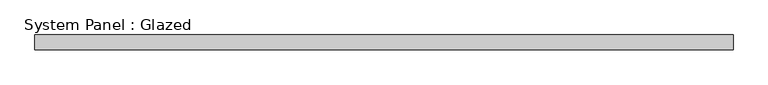
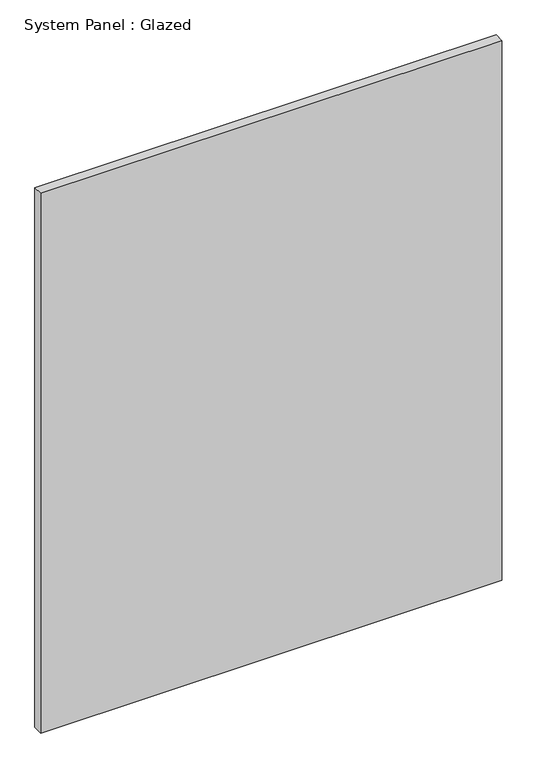
"""IFC4 building model written with IfcOpenShell, lengths in millimetres: plate geometry, System Panel : Glazed."""

import ifcopenshell
import ifcopenshell.guid

model = None  # the IFC model being written
_history = None  # IfcOwnerHistory: only IFC2X3 demands one
_inside = {}  # id of a spatial element -> (the spatial element, [elements in it])
_under = {}  # id of a project, library or spatial element -> (it, [spatial elements below it])
_declared = {}  # id of a project -> (the project, [libraries it declares])
_typed = {}  # id of a type object -> (the type object, [elements of that type])
_made_of = {}  # id of a material, layer set ... -> (it, [elements and type objects made of it])


def new_model(schema):
    """Start an empty IFC model of exactly this schema.

    Asked for "IFC4X3", IfcOpenShell would pick the latest addendum, in which some entities
    have other attributes; the version numbers below select the first issue.
    IFC2X3 requires an IfcOwnerHistory on every rooted entity: one is made here for all.
    """
    global model, _history
    if schema == "IFC4X3":
        model = ifcopenshell.file(schema_version=(4, 3, 0, 0))
    else:
        model = ifcopenshell.file(schema=schema)
    _inside.clear()
    _under.clear()
    _declared.clear()
    _typed.clear()
    _made_of.clear()
    _history = None
    if model.schema == "IFC2X3":
        org = make("IfcOrganization", Name="unknown")
        user = make(
            "IfcPersonAndOrganization",
            ThePerson=make("IfcPerson", FamilyName="unknown"),
            TheOrganization=org,
        )
        app = make(
            "IfcApplication",
            ApplicationDeveloper=org,
            Version="unknown",
            ApplicationFullName="unknown",
            ApplicationIdentifier="unknown",
        )
        _history = make(
            "IfcOwnerHistory",
            OwningUser=user,
            OwningApplication=app,
            ChangeAction="ADDED",
            CreationDate=0,
        )
    return model


def make(cls, **values):
    """One entity of the class cls with the attributes given. An attribute that is None is left unset."""
    return model.create_entity(
        cls, **{name: value for name, value in values.items() if value is not None}
    )


def rooted(cls, **values):
    """An entity with a GlobalId (a new one), such as an element, a storey or a relation."""
    return make(cls, GlobalId=ifcopenshell.guid.new(), OwnerHistory=_history, **values)


def si_unit(unit_type, name, prefix=None):
    """IfcSIUnit, for example si_unit("LENGTHUNIT", "METRE", prefix="MILLI")."""
    return make("IfcSIUnit", UnitType=unit_type, Prefix=prefix, Name=name)


def assignment(units):
    """IfcUnitAssignment: the units of a project."""
    return None if units is None else make("IfcUnitAssignment", Units=units)


def point(xyz):
    """IfcCartesianPoint."""
    return None if xyz is None else make("IfcCartesianPoint", Coordinates=xyz)


def direction(xyz):
    """IfcDirection."""
    return None if xyz is None else make("IfcDirection", DirectionRatios=xyz)


def frame(location, z_axis=None, x_axis=None):
    """IfcAxis2Placement3D, a coordinate frame: its origin and axes. An axis left out is left unset."""
    return make(
        "IfcAxis2Placement3D",
        Location=point(location),
        Axis=direction(z_axis),
        RefDirection=direction(x_axis),
    )


def origin():
    """The frame at (0, 0, 0) with its axes left unset."""
    return frame((0.0, 0.0, 0.0))


def origin_with_axes():
    """The frame at (0, 0, 0) with the z axis (0, 0, 1) and the x axis (1, 0, 0) written out."""
    return frame((0.0, 0.0, 0.0), z_axis=(0.0, 0.0, 1.0), x_axis=(1.0, 0.0, 0.0))


def place(relative_to, where):
    """IfcLocalPlacement: puts the frame where relative to a parent placement (None: the world)."""
    return make(
        "IfcLocalPlacement", PlacementRelTo=relative_to, RelativePlacement=where
    )


def context(
    kind, dimensions, precision=None, world=None, true_north=None, identifier=None
):
    """IfcGeometricRepresentationContext, for example the 3D "Model" context."""
    return make(
        "IfcGeometricRepresentationContext",
        ContextIdentifier=identifier,
        ContextType=kind,
        CoordinateSpaceDimension=dimensions,
        Precision=precision,
        WorldCoordinateSystem=world,
        TrueNorth=true_north,
    )


def project(units=None, contexts=None):
    """IfcProject with its units and contexts."""
    return rooted(
        "IfcProject",
        Name="project",
        RepresentationContexts=contexts,
        UnitsInContext=assignment(units),
    )


def spatial(cls, under=None, at=None, **own):
    """A site, building, storey or space (cls), placed at a placement, below another one or the project."""
    s = rooted(cls, ObjectPlacement=at, **own)
    if under is not None:
        _under.setdefault(under.id(), (under, []))[1].append(s)
    return s


def polyline(points):
    """IfcPolyline through the points."""
    return make("IfcPolyline", Points=[point(p) for p in points])


def outline(outer, holes=None, kind="AREA"):
    """IfcArbitraryClosedProfileDef: a profile drawn as a closed curve; with holes, ...WithVoids."""
    if holes is None:
        return make("IfcArbitraryClosedProfileDef", ProfileType=kind, OuterCurve=outer)
    return make(
        "IfcArbitraryProfileDefWithVoids",
        ProfileType=kind,
        OuterCurve=outer,
        InnerCurves=holes,
    )


def extrude(swept, where, along, depth):
    """IfcExtrudedAreaSolid: the profile swept, set in the frame where, extruded along a direction by depth."""
    return make(
        "IfcExtrudedAreaSolid",
        SweptArea=swept,
        Position=where,
        ExtrudedDirection=direction(along),
        Depth=depth,
    )


def shape(context_of_items, identifier, shape_type, items):
    """IfcShapeRepresentation: the items that make up one representation, for example the "Body"."""
    return make(
        "IfcShapeRepresentation",
        ContextOfItems=context_of_items,
        RepresentationIdentifier=identifier,
        RepresentationType=shape_type,
        Items=items,
    )


def source(mapping_origin, context_of_items, identifier, shape_type, items):
    """IfcRepresentationMap: a shape defined once, which mapped items show again and again."""
    return make(
        "IfcRepresentationMap",
        MappingOrigin=mapping_origin,
        MappedRepresentation=shape(context_of_items, identifier, shape_type, items),
    )


def transform(
    local_origin,
    x_axis=None,
    y_axis=None,
    z_axis=None,
    scale=None,
    scale2=None,
    scale3=None,
    uniform=True,
):
    """IfcCartesianTransformationOperator3D, or its non-uniform kind. x_axis, y_axis, z_axis: its Axis1, 2, 3."""
    if uniform:
        return make(
            "IfcCartesianTransformationOperator3D",
            Axis1=direction(x_axis),
            Axis2=direction(y_axis),
            LocalOrigin=point(local_origin),
            Scale=scale,
            Axis3=direction(z_axis),
        )
    return make(
        "IfcCartesianTransformationOperator3DnonUniform",
        Axis1=direction(x_axis),
        Axis2=direction(y_axis),
        LocalOrigin=point(local_origin),
        Scale=scale,
        Axis3=direction(z_axis),
        Scale2=scale2,
        Scale3=scale3,
    )


def mapped(mapping_source, mapping_target):
    """IfcMappedItem: shows the shape of a source again, moved by a transform."""
    return make(
        "IfcMappedItem", MappingSource=mapping_source, MappingTarget=mapping_target
    )


def made_of(thing, what):
    """Note that an element or type object is made of a material, layer set ...; save() writes the relation."""
    if what is not None:
        _made_of.setdefault(what.id(), (what, []))[1].append(thing)
    return thing


def element(
    cls,
    number,
    at=None,
    inside=None,
    cuts=None,
    type_object=None,
    material=None,
    context=None,
    identifier="Body",
    shape_type=None,
    held_by="IfcProductDefinitionShape",
    body=None,
    shapes=None,
    **own,
):
    """One element of the class cls, such as IfcWall. Its Tag is "e" and its number.

    at: its placement. inside: the storey or other place that contains it. cuts: it is an
    opening in that element (IfcRelVoidsElement). A single representation is given by context,
    identifier, shape_type and body (its items); several are given by shapes. held_by: the class
    of the entity that holds the representations. save() writes the other relations.
    """
    e = rooted(cls, Tag="e%d" % number, ObjectPlacement=at, **own)
    if body is not None:
        shapes = [shape(context, identifier, shape_type, body)]
    if shapes is not None:
        e.Representation = make(held_by, Representations=shapes)
    if inside is not None:
        _inside.setdefault(inside.id(), (inside, []))[1].append(e)
    if cuts is not None:
        rooted(
            "IfcRelVoidsElement", RelatingBuildingElement=cuts, RelatedOpeningElement=e
        )
    if type_object is not None:
        _typed.setdefault(type_object.id(), (type_object, []))[1].append(e)
    return made_of(e, material)


def aggregate(whole, parts):
    """IfcRelAggregates: a whole, such as a stair, and the parts it consists of."""
    return rooted("IfcRelAggregates", RelatingObject=whole, RelatedObjects=parts)


def save(model, path):
    """Write the relations noted so far, then the file.

    IfcRelAggregates (storeys below a building ...), IfcRelContainedInSpatialStructure (elements
    in a storey), IfcRelDefinesByType, IfcRelAssociatesMaterial and IfcRelDeclares: one each for
    every whole, place, type object, material and project.
    """
    for whole, parts in _under.values():
        aggregate(whole, parts)
    for where, things in _inside.values():
        rooted(
            "IfcRelContainedInSpatialStructure",
            RelatedElements=things,
            RelatingStructure=where,
        )
    for kind, things in _typed.values():
        rooted("IfcRelDefinesByType", RelatedObjects=things, RelatingType=kind)
    for what, things in _made_of.values():
        rooted("IfcRelAssociatesMaterial", RelatedObjects=things, RelatingMaterial=what)
    for by, libraries in _declared.values():
        rooted("IfcRelDeclares", RelatingContext=by, RelatedDefinitions=libraries)
    model.write(path)


def system_panel_glazed_ac12b786(model_context):
    return source(origin(), model_context, "Body", "SweptSolid", [
        extrude(outline(polyline([(590.3575378, 19.05), (-590.3575378, 19.05), (-590.3575378, 44.45), (590.3575378, 44.45), (590.3575378, 19.05)])), origin_with_axes(), (0.0, 0.0, 1.0), 1460.5),
    ])


if __name__ == "__main__":
    model = new_model("IFC4")
    model_context = context("Model", 3, world=origin())
    ifc_project = project(units=[si_unit("LENGTHUNIT", "METRE", prefix="MILLI")], contexts=[model_context])
    site = spatial("IfcSite", under=ifc_project)
    building = spatial("IfcBuilding", under=site)
    placement = place(None, origin())
    system_panel_glazed_shape = system_panel_glazed_ac12b786(model_context)
    element("IfcPlate", 1, ObjectType="System Panel : Glazed", at=placement, inside=building, context=model_context, shape_type="MappedRepresentation", body=[
        mapped(system_panel_glazed_shape, transform((0.0, 0.0, 0.0), x_axis=(1.0, 0.0, 0.0), y_axis=(0.0, 1.0, 0.0), z_axis=(0.0, 0.0, 1.0))),
    ])
    save(model, "model.ifc")
